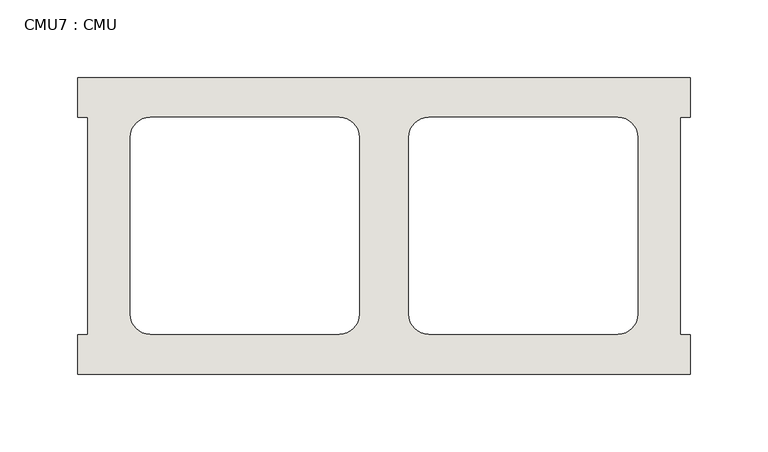
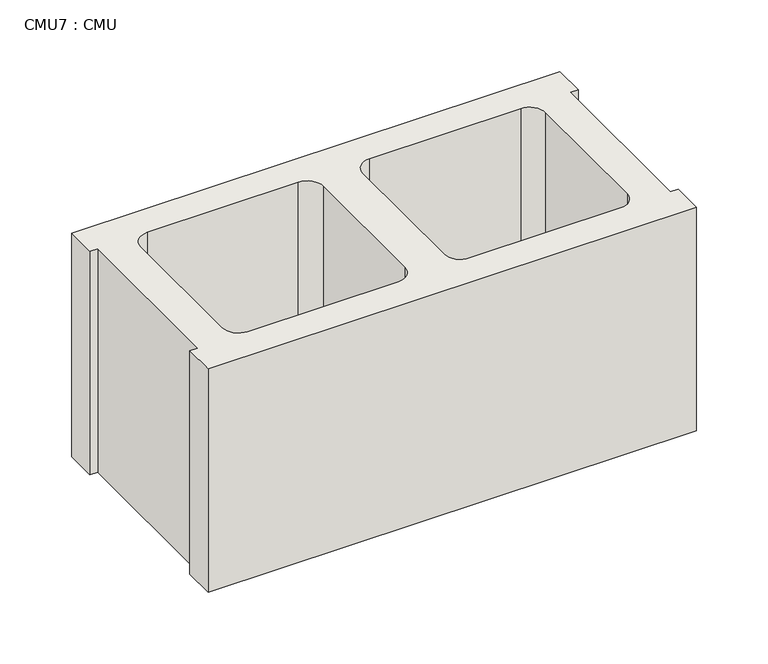
"""IFC4 building model written with IfcOpenShell, lengths in millimetres: wall geometry, CMU7 : CMU."""

from ifc_helpers import new_model, si_unit, point, frame_2d, origin, origin_with_axes, place, context, project, spatial, polyline, circle_curve, trimmed, segment, composite_curve, outline, extrude, source, transform, mapped, element, save


def cmu7_cmu_b0e5c458(model_context):
    return source(origin(), model_context, "Body", "SweptSolid", [
        extrude(outline(polyline([(-803.7785982, 3347.4652891), (-410.0785982, 3347.4652891), (-410.0785982, 3322.0652891), (-416.4285982, 3322.0652891), (-416.4285982, 3182.3652891), (-410.0785982, 3182.3652891), (-410.0785982, 3156.9652891), (-803.7785982, 3156.9652891), (-803.7785982, 3182.3652891), (-797.4285982, 3182.3652891), (-797.4285982, 3322.0652891), (-803.7785982, 3322.0652891), (-803.7785982, 3347.4652891)]), holes=[composite_curve([segment(polyline([(-635.6105995, 3322.0652891), (-757.3272496, 3322.0652891)]), True, "CONTINUOUS"), segment(trimmed(circle_curve(frame_2d((-757.3272496, 3309.3652891)), 12.7), [point((-757.3272496, 3322.0652891))], [point((-770.0272496, 3309.3652891))], True, "CARTESIAN"), True, "CONTINUOUS"), segment(polyline([(-770.0272496, 3309.3652891), (-770.0272496, 3195.2994494)]), True, "CONTINUOUS"), segment(trimmed(circle_curve(frame_2d((-757.3272496, 3195.2994494)), 12.7), [point((-770.0272496, 3195.2994494))], [point((-757.3272496, 3182.5994494))], True, "CARTESIAN"), True, "CONTINUOUS"), segment(polyline([(-757.3272496, 3182.5994494), (-635.6105995, 3182.5994494)]), True, "CONTINUOUS"), segment(trimmed(circle_curve(frame_2d((-635.6105995, 3195.2994494)), 12.7), [point((-635.6105995, 3182.5994494))], [point((-622.9105995, 3195.2994494))], True, "CARTESIAN"), True, "CONTINUOUS"), segment(polyline([(-622.9105995, 3195.2994494), (-622.9105995, 3309.3652891)]), True, "CONTINUOUS"), segment(trimmed(circle_curve(frame_2d((-635.6105995, 3309.3652891)), 12.7), [point((-622.9105995, 3309.3652891))], [point((-635.6105995, 3322.0652891))], True, "CARTESIAN"), True, "CONTINUOUS")], self_intersect=False), composite_curve([segment(trimmed(circle_curve(frame_2d((-578.2465969, 3309.3652891)), 12.7), [point((-578.2465969, 3322.0652891))], [point((-590.9465969, 3309.3652891))], True, "CARTESIAN"), True, "CONTINUOUS"), segment(polyline([(-590.9465969, 3309.3652891), (-590.9465969, 3195.2994494)]), True, "CONTINUOUS"), segment(trimmed(circle_curve(frame_2d((-578.2465969, 3195.2994494)), 12.7), [point((-590.9465969, 3195.2994494))], [point((-578.2465969, 3182.5994494))], True, "CARTESIAN"), True, "CONTINUOUS"), segment(polyline([(-578.2465969, 3182.5994494), (-456.5299468, 3182.5994494)]), True, "CONTINUOUS"), segment(trimmed(circle_curve(frame_2d((-456.5299468, 3195.2994494)), 12.7), [point((-456.5299468, 3182.5994494))], [point((-443.8299468, 3195.2994494))], True, "CARTESIAN"), True, "CONTINUOUS"), segment(polyline([(-443.8299468, 3195.2994494), (-443.8299468, 3309.3652891)]), True, "CONTINUOUS"), segment(trimmed(circle_curve(frame_2d((-456.5299468, 3309.3652891)), 12.7), [point((-443.8299468, 3309.3652891))], [point((-456.5299468, 3322.0652891))], True, "CARTESIAN"), True, "CONTINUOUS"), segment(polyline([(-456.5299468, 3322.0652891), (-578.2465969, 3322.0652891)]), True, "CONTINUOUS")], self_intersect=False)]), origin_with_axes(), (0.0, 0.0, 1.0), 190.5),
    ])


if __name__ == "__main__":
    model = new_model("IFC4")
    model_context = context("Model", 3, world=origin())
    ifc_project = project(units=[si_unit("LENGTHUNIT", "METRE", prefix="MILLI")], contexts=[model_context])
    site = spatial("IfcSite", under=ifc_project)
    building = spatial("IfcBuilding", under=site)
    placement = place(None, origin())
    cmu7_cmu_shape = cmu7_cmu_b0e5c458(model_context)
    element("IfcWall", 1, ObjectType="CMU7 : CMU", at=placement, inside=building, context=model_context, shape_type="MappedRepresentation", body=[
        mapped(cmu7_cmu_shape, transform((0.0, 0.0, 0.0), x_axis=(1.0, 0.0, 0.0), y_axis=(0.0, 1.0, 0.0), z_axis=(0.0, 0.0, 1.0))),
    ])
    save(model, "model.ifc")
